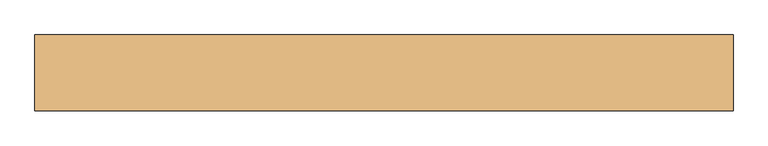
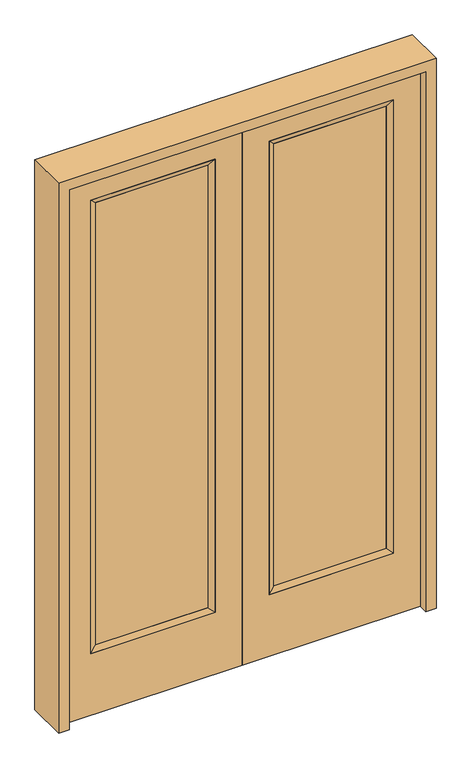
"""IFC4 building model written with IfcOpenShell, lengths in millimetres: door geometry."""

from ifc_helpers import new_model, si_unit, frame, origin, place, context, project, spatial, polyline, outline, extrude, faceted_brep, source, transform, mapped, element, save


def door_6c239d56(model_context):
    return source(origin(), model_context, "Body", "SolidModel", [
        extrude(outline(polyline([(140.8176, -12.7039749), (140.8176, 14.2875), (621.1824, 14.2875), (621.1824, -12.7039749), (140.8176, -12.7039749)])), frame((0.0, 0.0, 304.8), z_axis=(0.0, 0.0, 1.0), x_axis=(1.0, 0.0, 0.0)), (0.0, 0.0, 1.0), 1997.5576),
        faceted_brep([(140.8176, 14.2875, 2302.3576), (140.8176, 14.2875, 304.8), (115.4176, 22.225, 279.4), (115.4176, 22.225, 2327.7576), (115.4176, -22.225, 279.4), (115.4176, -22.225, 2327.7576), (621.1824, 14.2875, 304.8), (646.5824, 22.225, 279.4), (140.8176, -12.7039749, 2302.3576), (140.8176, -12.7039749, 304.8), (621.1824, -12.7039749, 304.8), (646.5824, -22.225, 279.4), (621.1824, 14.2875, 2302.3576), (646.5824, 22.225, 2327.7576), (621.1824, -12.7039749, 2302.3576), (646.5824, -22.225, 2327.7576)], [[[0, 1, 2, 3]], [[3, 2, 4, 5]], [[1, 6, 7, 2]], [[8, 9, 1, 0]], [[9, 10, 6, 1]], [[5, 4, 9, 8]], [[4, 11, 10, 9]], [[2, 7, 11, 4]], [[6, 12, 13, 7]], [[10, 14, 12, 6]], [[11, 15, 14, 10]], [[7, 13, 15, 11]], [[12, 0, 3, 13]], [[14, 8, 0, 12]], [[15, 5, 8, 14]], [[13, 3, 5, 15]]]),
        extrude(outline(polyline([(0.0, 762.0), (2438.4, 762.0), (2438.4, 0.0), (0.0, 0.0), (0.0, 762.0)]), holes=[polyline([(279.4, 646.5824), (279.4, 115.4176), (2327.7576, 115.4176), (2327.7576, 646.5824), (279.4, 646.5824)])]), frame((0.0, -22.225, 0.0), z_axis=(0.0, 1.0, 0.0), x_axis=(0.0, 0.0, 1.0)), (0.0, 0.0, 1.0), 44.45),
        extrude(outline(polyline([(-140.8176, -12.7039749), (-621.1824, -12.7039749), (-621.1824, 14.2875), (-140.8176, 14.2875), (-140.8176, -12.7039749)])), frame((0.0, 0.0, 304.8), z_axis=(0.0, 0.0, 1.0), x_axis=(1.0, 0.0, 0.0)), (0.0, 0.0, 1.0), 1997.5576),
        faceted_brep([(-140.8176, 14.2875, 2302.3576), (-115.4176, 22.225, 2327.7576), (-115.4176, 22.225, 279.4), (-140.8176, 14.2875, 304.8), (-115.4176, -22.225, 2327.7576), (-115.4176, -22.225, 279.4), (-646.5824, 22.225, 279.4), (-621.1824, 14.2875, 304.8), (-140.8176, -12.7039749, 2302.3576), (-140.8176, -12.7039749, 304.8), (-621.1824, -12.7039749, 304.8), (-646.5824, -22.225, 279.4), (-646.5824, 22.225, 2327.7576), (-621.1824, 14.2875, 2302.3576), (-621.1824, -12.7039749, 2302.3576), (-646.5824, -22.225, 2327.7576)], [[[0, 1, 2, 3]], [[1, 4, 5, 2]], [[3, 2, 6, 7]], [[8, 0, 3, 9]], [[9, 3, 7, 10]], [[4, 8, 9, 5]], [[5, 9, 10, 11]], [[2, 5, 11, 6]], [[7, 6, 12, 13]], [[10, 7, 13, 14]], [[11, 10, 14, 15]], [[6, 11, 15, 12]], [[13, 12, 1, 0]], [[14, 13, 0, 8]], [[15, 14, 8, 4]], [[12, 15, 4, 1]]]),
        extrude(outline(polyline([(0.0, -762.0), (0.0, 0.0), (2438.4, 0.0), (2438.4, -762.0), (0.0, -762.0)]), holes=[polyline([(279.4, -646.5824), (2327.7576, -646.5824), (2327.7576, -115.4176), (279.4, -115.4176), (279.4, -646.5824)])]), frame((0.0, -22.225, 0.0), z_axis=(0.0, 1.0, 0.0), x_axis=(0.0, 0.0, 1.0)), (0.0, 0.0, 1.0), 44.45),
        extrude(outline(polyline([(0.0, -806.45), (0.0, -762.0), (2438.4, -762.0), (2438.4, 762.0), (0.0, 762.0), (0.0, 806.45), (2482.85, 806.45), (2482.85, -806.45), (0.0, -806.45)])), frame((0.0, -61.1, 0.0), z_axis=(0.0, 1.0, 0.0), x_axis=(0.0, 0.0, 1.0)), (0.0, 0.0, 1.0), 175.4),
    ])


if __name__ == "__main__":
    model = new_model("IFC4")
    model_context = context("Model", 3, world=origin())
    ifc_project = project(units=[si_unit("LENGTHUNIT", "METRE", prefix="MILLI")], contexts=[model_context])
    site = spatial("IfcSite", under=ifc_project)
    building = spatial("IfcBuilding", under=site)
    placement = place(None, origin())
    door_shape = door_6c239d56(model_context)
    element("IfcDoor", 1, at=placement, inside=building, context=model_context, shape_type="MappedRepresentation", body=[
        mapped(door_shape, transform((0.0, 0.0, 0.0), x_axis=(1.0, 0.0, 0.0), y_axis=(0.0, 1.0, 0.0), z_axis=(0.0, 0.0, 1.0))),
    ])
    save(model, "model.ifc")
